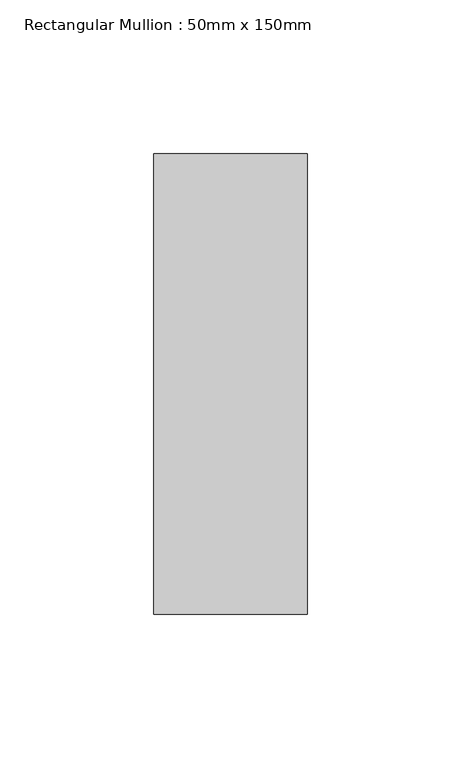
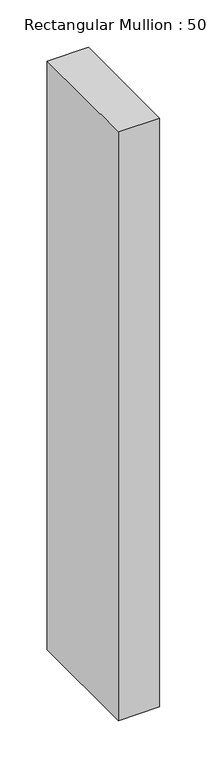
"""IFC4 building model written with IfcOpenShell, lengths in millimetres: member geometry, Rectangular Mullion : 50mm x 150mm."""

from ifc_helpers import new_model, si_unit, frame, origin, place, context, project, spatial, polyline, outline, extrude, source, transform, mapped, element, save


def rectangular_mullion_50mm_x_150mm_7d574985(model_context):
    return source(origin(), model_context, "Body", "SweptSolid", [
        extrude(outline(polyline([(0.0, 75.0), (0.0, -75.0), (-50.0, -75.0), (-50.0, 75.0), (0.0, 75.0)])), frame((0.0, 0.0, -756.4285714), z_axis=(0.0, 0.0, 1.0), x_axis=(1.0, 0.0, 0.0)), (0.0, 0.0, 1.0), 756.4285714),
    ])


if __name__ == "__main__":
    model = new_model("IFC4")
    model_context = context("Model", 3, world=origin())
    ifc_project = project(units=[si_unit("LENGTHUNIT", "METRE", prefix="MILLI")], contexts=[model_context])
    site = spatial("IfcSite", under=ifc_project)
    building = spatial("IfcBuilding", under=site)
    placement = place(None, origin())
    rectangular_mullion_50mm_x_150mm_shape = rectangular_mullion_50mm_x_150mm_7d574985(model_context)
    element("IfcMember", 1, ObjectType="Rectangular Mullion : 50mm x 150mm", at=placement, inside=building, context=model_context, shape_type="MappedRepresentation", body=[
        mapped(rectangular_mullion_50mm_x_150mm_shape, transform((0.0, 0.0, 0.0), x_axis=(1.0, 0.0, 0.0), y_axis=(0.0, 1.0, 0.0), z_axis=(0.0, 0.0, 1.0))),
    ])
    save(model, "model.ifc")
